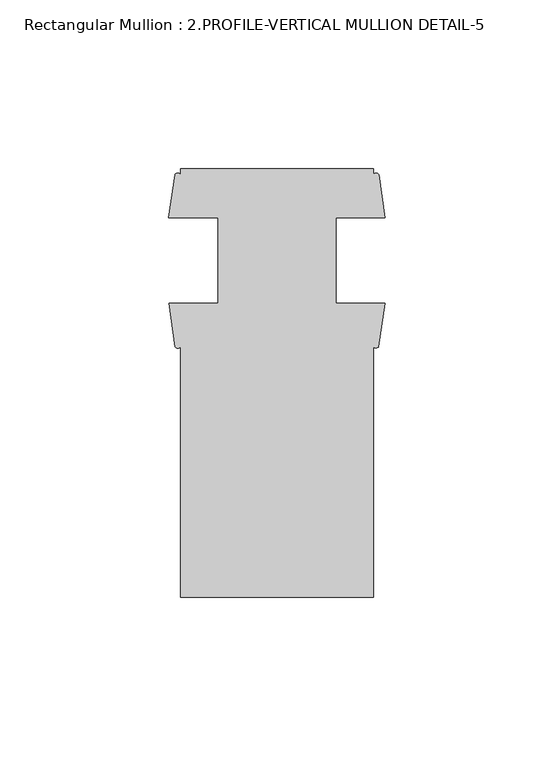
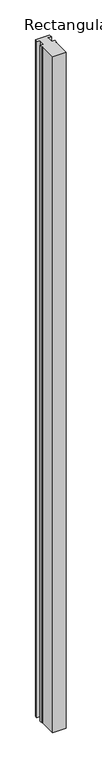
"""IFC4 building model written with IfcOpenShell, lengths in millimetres: member geometry, Rectangular Mullion : 2.PROFILE-VERTICAL MULLION DETAIL-5."""

from ifc_helpers import new_model, si_unit, point, frame, frame_2d, origin, place, context, project, spatial, polyline, circle_curve, trimmed, segment, composite_curve, outline, extrude, source, transform, mapped, element, save


def rectangular_mullion_2_profile_vertical_mullion_detail_5_6e70a441(model_context):
    return source(origin(), model_context, "Body", "SweptSolid", [
        extrude(outline(composite_curve([segment(polyline([(-60.6695217, -40.9117706), (-60.6695217, 33.4134168)]), True, "CONTINUOUS"), segment(trimmed(circle_curve(frame_2d((-61.4624699, 33.8861245)), 0.9231573), [point((-60.6695217, 33.4134168))], [point((-62.255418, 33.4134168))], False, "CARTESIAN"), True, "CONTINUOUS"), segment(polyline([(-62.255418, 33.4134168), (-64.0655217, 46.1847043), (-49.5570217, 46.1847043), (-49.5570217, 71.5847043), (-64.1890435, 71.5847043), (-62.3329261, 84.3577571)]), True, "CONTINUOUS"), segment(trimmed(circle_curve(frame_2d((-61.5012239, 83.8365389)), 0.9815279), [point((-62.3329261, 84.3577571))], [point((-60.6695217, 84.3577571))], False, "CARTESIAN"), True, "CONTINUOUS"), segment(polyline([(-60.6695217, 84.3577571), (-60.6695217, 86.0882294), (-3.5195217, 86.0882294), (-3.5195217, 84.3577571)]), True, "CONTINUOUS"), segment(trimmed(circle_curve(frame_2d((-2.6878195, 83.7779986)), 1.0138286), [point((-3.5195217, 84.3577571))], [point((-1.8561173, 84.3577571))], False, "CARTESIAN"), True, "CONTINUOUS"), segment(polyline([(-1.8561173, 84.3577571), (0.0, 71.5847043), (-14.6320217, 71.5847043), (-14.6320217, 46.1847043), (-0.1235217, 46.1847043), (-1.9336255, 33.4134168)]), True, "CONTINUOUS"), segment(trimmed(circle_curve(frame_2d((-2.7265736, 33.897846)), 0.9292139), [point((-1.9336255, 33.4134168))], [point((-3.5195217, 33.4134168))], False, "CARTESIAN"), True, "CONTINUOUS"), segment(polyline([(-3.5195217, 33.4134168), (-3.5195217, -40.9117706), (-60.6695217, -40.9117706)]), True, "CONTINUOUS")], self_intersect=False)), frame((0.0, 0.0, -3048.0), z_axis=(0.0, 0.0, 1.0), x_axis=(1.0, 0.0, 0.0)), (0.0, 0.0, 1.0), 3048.0),
    ])


if __name__ == "__main__":
    model = new_model("IFC4")
    model_context = context("Model", 3, world=origin())
    ifc_project = project(units=[si_unit("LENGTHUNIT", "METRE", prefix="MILLI")], contexts=[model_context])
    site = spatial("IfcSite", under=ifc_project)
    building = spatial("IfcBuilding", under=site)
    placement = place(None, origin())
    rectangular_mullion_2_profile_vertical_mullion_detail_5_shape = rectangular_mullion_2_profile_vertical_mullion_detail_5_6e70a441(model_context)
    element("IfcMember", 1, ObjectType="Rectangular Mullion : 2.PROFILE-VERTICAL MULLION DETAIL-5", at=placement, inside=building, context=model_context, shape_type="MappedRepresentation", body=[
        mapped(rectangular_mullion_2_profile_vertical_mullion_detail_5_shape, transform((0.0, 0.0, 0.0), x_axis=(1.0, 0.0, 0.0), y_axis=(0.0, 1.0, 0.0), z_axis=(0.0, 0.0, 1.0))),
    ])
    save(model, "model.ifc")
